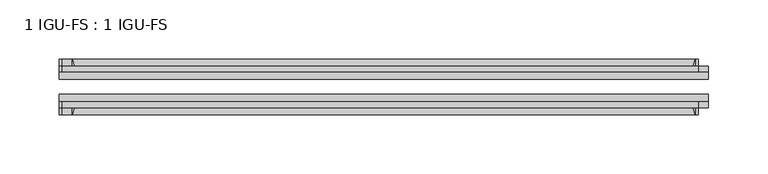
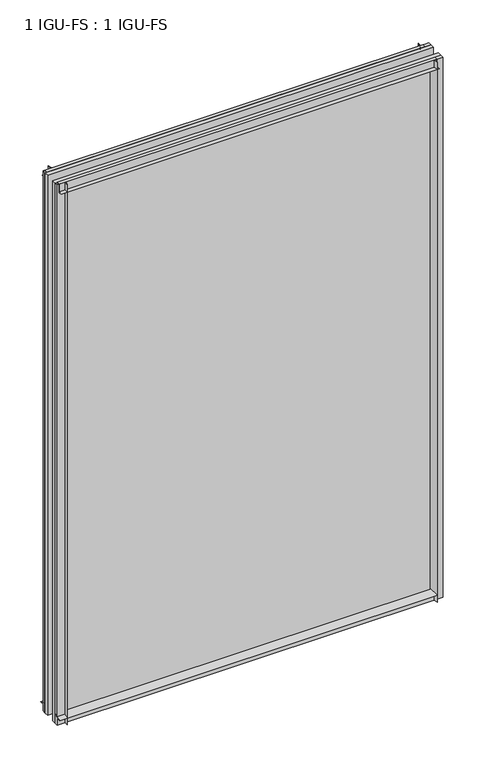
"""IFC4 building model written with IfcOpenShell, lengths in millimetres: plate geometry, 1 IGU-FS : 1 IGU-FS."""

import ifcopenshell
import ifcopenshell.guid

model = None  # the IFC model being written
_history = None  # IfcOwnerHistory: only IFC2X3 demands one
_inside = {}  # id of a spatial element -> (the spatial element, [elements in it])
_under = {}  # id of a project, library or spatial element -> (it, [spatial elements below it])
_declared = {}  # id of a project -> (the project, [libraries it declares])
_typed = {}  # id of a type object -> (the type object, [elements of that type])
_made_of = {}  # id of a material, layer set ... -> (it, [elements and type objects made of it])


def new_model(schema):
    """Start an empty IFC model of exactly this schema.

    Asked for "IFC4X3", IfcOpenShell would pick the latest addendum, in which some entities
    have other attributes; the version numbers below select the first issue.
    IFC2X3 requires an IfcOwnerHistory on every rooted entity: one is made here for all.
    """
    global model, _history
    if schema == "IFC4X3":
        model = ifcopenshell.file(schema_version=(4, 3, 0, 0))
    else:
        model = ifcopenshell.file(schema=schema)
    _inside.clear()
    _under.clear()
    _declared.clear()
    _typed.clear()
    _made_of.clear()
    _history = None
    if model.schema == "IFC2X3":
        org = make("IfcOrganization", Name="unknown")
        user = make(
            "IfcPersonAndOrganization",
            ThePerson=make("IfcPerson", FamilyName="unknown"),
            TheOrganization=org,
        )
        app = make(
            "IfcApplication",
            ApplicationDeveloper=org,
            Version="unknown",
            ApplicationFullName="unknown",
            ApplicationIdentifier="unknown",
        )
        _history = make(
            "IfcOwnerHistory",
            OwningUser=user,
            OwningApplication=app,
            ChangeAction="ADDED",
            CreationDate=0,
        )
    return model


def make(cls, **values):
    """One entity of the class cls with the attributes given. An attribute that is None is left unset."""
    return model.create_entity(
        cls, **{name: value for name, value in values.items() if value is not None}
    )


def rooted(cls, **values):
    """An entity with a GlobalId (a new one), such as an element, a storey or a relation."""
    return make(cls, GlobalId=ifcopenshell.guid.new(), OwnerHistory=_history, **values)


def si_unit(unit_type, name, prefix=None):
    """IfcSIUnit, for example si_unit("LENGTHUNIT", "METRE", prefix="MILLI")."""
    return make("IfcSIUnit", UnitType=unit_type, Prefix=prefix, Name=name)


def assignment(units):
    """IfcUnitAssignment: the units of a project."""
    return None if units is None else make("IfcUnitAssignment", Units=units)


def point(xyz):
    """IfcCartesianPoint."""
    return None if xyz is None else make("IfcCartesianPoint", Coordinates=xyz)


def direction(xyz):
    """IfcDirection."""
    return None if xyz is None else make("IfcDirection", DirectionRatios=xyz)


def frame(location, z_axis=None, x_axis=None):
    """IfcAxis2Placement3D, a coordinate frame: its origin and axes. An axis left out is left unset."""
    return make(
        "IfcAxis2Placement3D",
        Location=point(location),
        Axis=direction(z_axis),
        RefDirection=direction(x_axis),
    )


def frame_2d(location, x_axis=None):
    """IfcAxis2Placement2D, a coordinate frame in the plane: its origin and x axis."""
    return make(
        "IfcAxis2Placement2D", Location=point(location), RefDirection=direction(x_axis)
    )


def origin():
    """The frame at (0, 0, 0) with its axes left unset."""
    return frame((0.0, 0.0, 0.0))


def place(relative_to, where):
    """IfcLocalPlacement: puts the frame where relative to a parent placement (None: the world)."""
    return make(
        "IfcLocalPlacement", PlacementRelTo=relative_to, RelativePlacement=where
    )


def context(
    kind, dimensions, precision=None, world=None, true_north=None, identifier=None
):
    """IfcGeometricRepresentationContext, for example the 3D "Model" context."""
    return make(
        "IfcGeometricRepresentationContext",
        ContextIdentifier=identifier,
        ContextType=kind,
        CoordinateSpaceDimension=dimensions,
        Precision=precision,
        WorldCoordinateSystem=world,
        TrueNorth=true_north,
    )


def project(units=None, contexts=None):
    """IfcProject with its units and contexts."""
    return rooted(
        "IfcProject",
        Name="project",
        RepresentationContexts=contexts,
        UnitsInContext=assignment(units),
    )


def spatial(cls, under=None, at=None, **own):
    """A site, building, storey or space (cls), placed at a placement, below another one or the project."""
    s = rooted(cls, ObjectPlacement=at, **own)
    if under is not None:
        _under.setdefault(under.id(), (under, []))[1].append(s)
    return s


def polyline(points):
    """IfcPolyline through the points."""
    return make("IfcPolyline", Points=[point(p) for p in points])


def circle_curve(where, radius):
    """IfcCircle in the frame where."""
    return make("IfcCircle", Position=where, Radius=radius)


def trimmed(basis, trim1, trim2, sense, master):
    """IfcTrimmedCurve: the piece of a basis curve between two trims."""
    return make(
        "IfcTrimmedCurve",
        BasisCurve=basis,
        Trim1=trim1,
        Trim2=trim2,
        SenseAgreement=sense,
        MasterRepresentation=master,
    )


def segment(curve, same_sense, transition):
    """IfcCompositeCurveSegment."""
    return make(
        "IfcCompositeCurveSegment",
        Transition=transition,
        SameSense=same_sense,
        ParentCurve=curve,
    )


def composite_curve(segments, self_intersect=None):
    """IfcCompositeCurve: segments joined end to end."""
    return make("IfcCompositeCurve", Segments=segments, SelfIntersect=self_intersect)


def outline(outer, holes=None, kind="AREA"):
    """IfcArbitraryClosedProfileDef: a profile drawn as a closed curve; with holes, ...WithVoids."""
    if holes is None:
        return make("IfcArbitraryClosedProfileDef", ProfileType=kind, OuterCurve=outer)
    return make(
        "IfcArbitraryProfileDefWithVoids",
        ProfileType=kind,
        OuterCurve=outer,
        InnerCurves=holes,
    )


def extrude(swept, where, along, depth):
    """IfcExtrudedAreaSolid: the profile swept, set in the frame where, extruded along a direction by depth."""
    return make(
        "IfcExtrudedAreaSolid",
        SweptArea=swept,
        Position=where,
        ExtrudedDirection=direction(along),
        Depth=depth,
    )


def shape(context_of_items, identifier, shape_type, items):
    """IfcShapeRepresentation: the items that make up one representation, for example the "Body"."""
    return make(
        "IfcShapeRepresentation",
        ContextOfItems=context_of_items,
        RepresentationIdentifier=identifier,
        RepresentationType=shape_type,
        Items=items,
    )


def source(mapping_origin, context_of_items, identifier, shape_type, items):
    """IfcRepresentationMap: a shape defined once, which mapped items show again and again."""
    return make(
        "IfcRepresentationMap",
        MappingOrigin=mapping_origin,
        MappedRepresentation=shape(context_of_items, identifier, shape_type, items),
    )


def transform(
    local_origin,
    x_axis=None,
    y_axis=None,
    z_axis=None,
    scale=None,
    scale2=None,
    scale3=None,
    uniform=True,
):
    """IfcCartesianTransformationOperator3D, or its non-uniform kind. x_axis, y_axis, z_axis: its Axis1, 2, 3."""
    if uniform:
        return make(
            "IfcCartesianTransformationOperator3D",
            Axis1=direction(x_axis),
            Axis2=direction(y_axis),
            LocalOrigin=point(local_origin),
            Scale=scale,
            Axis3=direction(z_axis),
        )
    return make(
        "IfcCartesianTransformationOperator3DnonUniform",
        Axis1=direction(x_axis),
        Axis2=direction(y_axis),
        LocalOrigin=point(local_origin),
        Scale=scale,
        Axis3=direction(z_axis),
        Scale2=scale2,
        Scale3=scale3,
    )


def mapped(mapping_source, mapping_target):
    """IfcMappedItem: shows the shape of a source again, moved by a transform."""
    return make(
        "IfcMappedItem", MappingSource=mapping_source, MappingTarget=mapping_target
    )


def made_of(thing, what):
    """Note that an element or type object is made of a material, layer set ...; save() writes the relation."""
    if what is not None:
        _made_of.setdefault(what.id(), (what, []))[1].append(thing)
    return thing


def element(
    cls,
    number,
    at=None,
    inside=None,
    cuts=None,
    type_object=None,
    material=None,
    context=None,
    identifier="Body",
    shape_type=None,
    held_by="IfcProductDefinitionShape",
    body=None,
    shapes=None,
    **own,
):
    """One element of the class cls, such as IfcWall. Its Tag is "e" and its number.

    at: its placement. inside: the storey or other place that contains it. cuts: it is an
    opening in that element (IfcRelVoidsElement). A single representation is given by context,
    identifier, shape_type and body (its items); several are given by shapes. held_by: the class
    of the entity that holds the representations. save() writes the other relations.
    """
    e = rooted(cls, Tag="e%d" % number, ObjectPlacement=at, **own)
    if body is not None:
        shapes = [shape(context, identifier, shape_type, body)]
    if shapes is not None:
        e.Representation = make(held_by, Representations=shapes)
    if inside is not None:
        _inside.setdefault(inside.id(), (inside, []))[1].append(e)
    if cuts is not None:
        rooted(
            "IfcRelVoidsElement", RelatingBuildingElement=cuts, RelatedOpeningElement=e
        )
    if type_object is not None:
        _typed.setdefault(type_object.id(), (type_object, []))[1].append(e)
    return made_of(e, material)


def aggregate(whole, parts):
    """IfcRelAggregates: a whole, such as a stair, and the parts it consists of."""
    return rooted("IfcRelAggregates", RelatingObject=whole, RelatedObjects=parts)


def save(model, path):
    """Write the relations noted so far, then the file.

    IfcRelAggregates (storeys below a building ...), IfcRelContainedInSpatialStructure (elements
    in a storey), IfcRelDefinesByType, IfcRelAssociatesMaterial and IfcRelDeclares: one each for
    every whole, place, type object, material and project.
    """
    for whole, parts in _under.values():
        aggregate(whole, parts)
    for where, things in _inside.values():
        rooted(
            "IfcRelContainedInSpatialStructure",
            RelatedElements=things,
            RelatingStructure=where,
        )
    for kind, things in _typed.values():
        rooted("IfcRelDefinesByType", RelatedObjects=things, RelatingType=kind)
    for what, things in _made_of.values():
        rooted("IfcRelAssociatesMaterial", RelatedObjects=things, RelatingMaterial=what)
    for by, libraries in _declared.values():
        rooted("IfcRelDeclares", RelatingContext=by, RelatedDefinitions=libraries)
    model.write(path)


def plate_1_igu_fs_1_igu_fs_7e29211f(model_context):
    return source(origin(), model_context, "Body", "SweptSolid", [
        extrude(outline(composite_curve([segment(polyline([(-40.084375, 3.8978906), (-40.084375, -10.3378), (-44.859575, -10.3378), (-44.859575, 0.0), (-50.8285753, 0.0)]), True, "CONTINUOUS"), segment(trimmed(circle_curve(frame_2d((-56.4601953, 32.279754)), 32.7673262), [point((-50.8285753, 0.0))], [point((-40.084375, 3.8978906))], True, "CARTESIAN"), True, "CONTINUOUS")], self_intersect=False)), frame((-274.6386906, 0.0, 0.0), z_axis=(1.0, 0.0, 0.0), x_axis=(0.0, 1.0, 0.0)), (0.0, 0.0, 1.0), 538.1648813),
        extrude(outline(composite_curve([segment(polyline([(-3.940175, 0.0), (-9.909175, 0.0), (-9.909175, -10.3378), (-14.684375, -10.3378), (-14.684375, 3.8978906)]), True, "CONTINUOUS"), segment(trimmed(circle_curve(frame_2d((1.6914453, 32.279754)), 32.7673262), [point((-14.684375, 3.8978906))], [point((-3.940175, 0.0))], True, "CARTESIAN"), True, "CONTINUOUS")], self_intersect=False)), frame((-274.6386906, 0.0, 0.0), z_axis=(1.0, 0.0, 0.0), x_axis=(0.0, 1.0, 0.0)), (0.0, 0.0, 1.0), 538.1648813),
        extrude(outline(composite_curve([segment(polyline([(-9.909175, 801.6875), (-9.909175, 790.575), (-3.9401753, 790.575)]), True, "CONTINUOUS"), segment(trimmed(circle_curve(frame_2d((1.6914453, 758.2952461)), 32.7673262), [point((-3.9401753, 790.575))], [point((-14.684375, 786.6771095))], True, "CARTESIAN"), True, "CONTINUOUS"), segment(polyline([(-14.684375, 786.6771095), (-14.684375, 801.6875), (-9.909175, 801.6875)]), True, "CONTINUOUS")], self_intersect=False)), frame((-272.0389293, 0.0, 0.0), z_axis=(1.0, 0.0, 0.0), x_axis=(0.0, 1.0, 0.0)), (0.0, 0.0, 1.0), 538.1110814),
        extrude(outline(composite_curve([segment(polyline([(-40.084375, 801.6875), (-40.084375, 786.6771095)]), True, "CONTINUOUS"), segment(trimmed(circle_curve(frame_2d((-56.4601953, 758.2952461)), 32.7673262), [point((-40.084375, 786.6771095))], [point((-50.8285747, 790.575))], True, "CARTESIAN"), True, "CONTINUOUS"), segment(polyline([(-50.8285747, 790.575), (-44.859575, 790.575), (-44.859575, 801.6875), (-40.084375, 801.6875)]), True, "CONTINUOUS")], self_intersect=False)), frame((-272.0389293, 0.0, 0.0), z_axis=(1.0, 0.0, 0.0), x_axis=(0.0, 1.0, 0.0)), (0.0, 0.0, 1.0), 538.1110814),
        extrude(outline(composite_curve([segment(polyline([(274.6386906, -9.909175), (274.6386906, -14.684375), (259.6283001, -14.684375)]), True, "CONTINUOUS"), segment(trimmed(circle_curve(frame_2d((231.2464367, 1.6914453)), 32.7673262), [point((259.6283001, -14.684375))], [point((263.5261906, -3.940175))], True, "CARTESIAN"), True, "CONTINUOUS"), segment(polyline([(263.5261906, -3.940175), (263.5261906, -9.909175), (274.6386906, -9.909175)]), True, "CONTINUOUS")], self_intersect=False)), frame((0.0, 0.0, -10.31875), z_axis=(0.0, 0.0, 1.0), x_axis=(1.0, 0.0, 0.0)), (0.0, 0.0, 1.0), 812.00625),
        extrude(outline(composite_curve([segment(polyline([(274.6386906, -40.084375), (274.6386906, -44.859575), (263.5261906, -44.859575), (263.5261906, -50.828575)]), True, "CONTINUOUS"), segment(trimmed(circle_curve(frame_2d((231.2464367, -56.4601953)), 32.7673262), [point((263.5261906, -50.828575))], [point((259.6283001, -40.084375))], True, "CARTESIAN"), True, "CONTINUOUS"), segment(polyline([(259.6283001, -40.084375), (274.6386906, -40.084375)]), True, "CONTINUOUS")], self_intersect=False)), frame((0.0, 0.0, -10.31875), z_axis=(0.0, 0.0, 1.0), x_axis=(1.0, 0.0, 0.0)), (0.0, 0.0, 1.0), 812.00625),
        extrude(outline(composite_curve([segment(polyline([(-274.6386906, -9.909175), (-263.5261906, -9.909175), (-263.5261906, -3.940175)]), True, "CONTINUOUS"), segment(trimmed(circle_curve(frame_2d((-231.2464367, 1.6914453)), 32.7673262), [point((-263.5261906, -3.940175))], [point((-259.6283001, -14.684375))], True, "CARTESIAN"), True, "CONTINUOUS"), segment(polyline([(-259.6283001, -14.684375), (-274.6386906, -14.684375), (-274.6386906, -9.909175)]), True, "CONTINUOUS")], self_intersect=False)), frame((0.0, 0.0, -10.31875), z_axis=(0.0, 0.0, 1.0), x_axis=(1.0, 0.0, 0.0)), (0.0, 0.0, 1.0), 812.00625),
        extrude(outline(composite_curve([segment(polyline([(-274.6386906, -44.859575), (-274.6386906, -40.084375), (-259.6283001, -40.084375)]), True, "CONTINUOUS"), segment(trimmed(circle_curve(frame_2d((-231.2464367, -56.4601953)), 32.7673262), [point((-259.6283001, -40.084375))], [point((-263.5261906, -50.828575))], True, "CARTESIAN"), True, "CONTINUOUS"), segment(polyline([(-263.5261906, -50.828575), (-263.5261906, -44.859575), (-274.6386906, -44.859575)]), True, "CONTINUOUS")], self_intersect=False)), frame((0.0, 0.0, -10.31875), z_axis=(0.0, 0.0, 1.0), x_axis=(1.0, 0.0, 0.0)), (0.0, 0.0, 1.0), 812.00625),
        extrude(outline(polyline([(-274.6386906, -40.084375), (-274.6386906, -33.785175), (274.6386906, -33.785175), (274.6386906, -40.084375), (-274.6386906, -40.084375)])), frame((0.0, 0.0, -10.31875), z_axis=(0.0, 0.0, 1.0), x_axis=(1.0, 0.0, 0.0)), (0.0, 0.0, 1.0), 812.00625),
        extrude(outline(polyline([(274.6386906, -20.983575), (-274.6386906, -20.983575), (-274.6386906, -14.684375), (274.6386906, -14.684375), (274.6386906, -20.983575)])), frame((0.0, 0.0, -10.31875), z_axis=(0.0, 0.0, 1.0), x_axis=(1.0, 0.0, 0.0)), (0.0, 0.0, 1.0), 812.00625),
    ])


if __name__ == "__main__":
    model = new_model("IFC4")
    model_context = context("Model", 3, world=origin())
    ifc_project = project(units=[si_unit("LENGTHUNIT", "METRE", prefix="MILLI")], contexts=[model_context])
    site = spatial("IfcSite", under=ifc_project)
    building = spatial("IfcBuilding", under=site)
    placement = place(None, origin())
    plate_1_igu_fs_1_igu_fs_shape = plate_1_igu_fs_1_igu_fs_7e29211f(model_context)
    element("IfcPlate", 1, ObjectType="1 IGU-FS : 1 IGU-FS", at=placement, inside=building, context=model_context, shape_type="MappedRepresentation", body=[
        mapped(plate_1_igu_fs_1_igu_fs_shape, transform((0.0, 0.0, 0.0), x_axis=(1.0, 0.0, 0.0), y_axis=(0.0, 1.0, 0.0), z_axis=(0.0, 0.0, 1.0))),
    ])
    save(model, "model.ifc")
